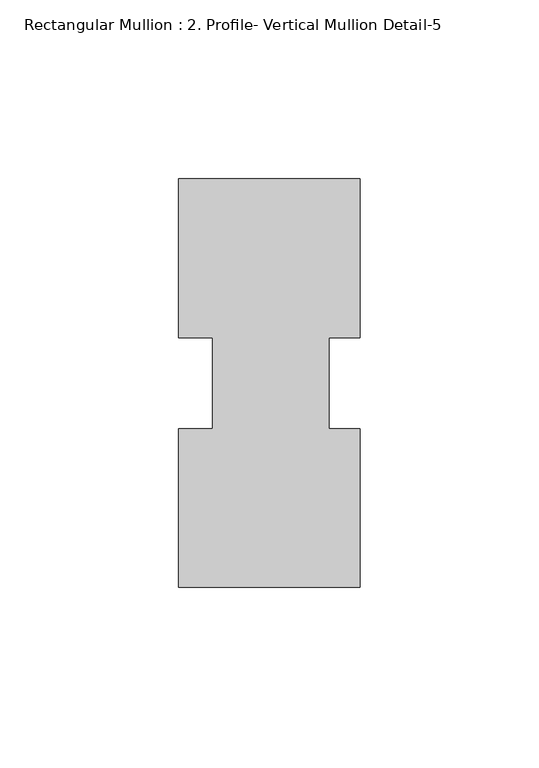
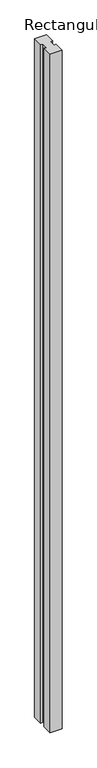
"""IFC4 building model written with IfcOpenShell, lengths in millimetres: member geometry, Rectangular Mullion : 2. Profile- Vertical Mullion Detail-5."""

from ifc_helpers import new_model, si_unit, frame, origin, place, context, project, spatial, polyline, outline, extrude, source, transform, mapped, element, save


def rectangular_mullion_2_profile_vertical_mullion_detail_5_3eec3839(model_context):
    return source(origin(), model_context, "Body", "SweptSolid", [
        extrude(outline(polyline([(27.3600138, -57.1388465), (-23.4399862, -57.1388465), (-23.4399862, -12.7438492), (-13.9149862, -12.7438492), (-13.9149862, 12.7438492), (-23.4399862, 12.7438492), (-23.4399862, 57.1611535), (27.3600138, 57.1611535), (27.3600138, 12.7438492), (18.6287638, 12.7438492), (18.6287638, -12.7438492), (27.3600138, -12.7438492), (27.3600138, -57.1388465)])), frame((0.0, 0.0, -3048.0), z_axis=(0.0, 0.0, 1.0), x_axis=(1.0, 0.0, 0.0)), (0.0, 0.0, 1.0), 3048.0),
    ])


if __name__ == "__main__":
    model = new_model("IFC4")
    model_context = context("Model", 3, world=origin())
    ifc_project = project(units=[si_unit("LENGTHUNIT", "METRE", prefix="MILLI")], contexts=[model_context])
    site = spatial("IfcSite", under=ifc_project)
    building = spatial("IfcBuilding", under=site)
    placement = place(None, origin())
    rectangular_mullion_2_profile_vertical_mullion_detail_5_shape = rectangular_mullion_2_profile_vertical_mullion_detail_5_3eec3839(model_context)
    element("IfcMember", 1, ObjectType="Rectangular Mullion : 2. Profile- Vertical Mullion Detail-5", at=placement, inside=building, context=model_context, shape_type="MappedRepresentation", body=[
        mapped(rectangular_mullion_2_profile_vertical_mullion_detail_5_shape, transform((0.0, 0.0, 0.0), x_axis=(1.0, 0.0, 0.0), y_axis=(0.0, 1.0, 0.0), z_axis=(0.0, 0.0, 1.0))),
    ])
    save(model, "model.ifc")
